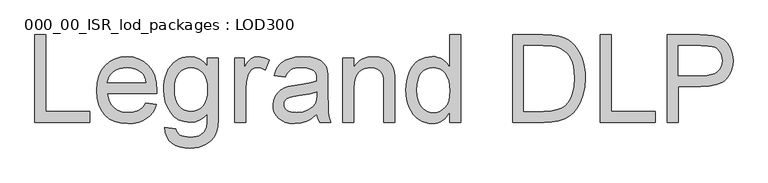
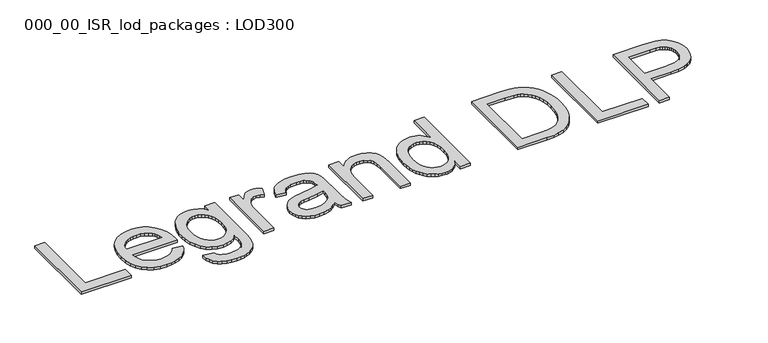
"""IFC4 building model written with IfcOpenShell, lengths in millimetres: proxy geometry, 000_00_ISR_lod_packages : LOD300."""

from ifc_helpers import new_model, si_unit, origin, origin_with_axes, place, context, project, spatial, polyline, outline, extrude, source, transform, mapped, element, save


def proxy_000_00_isr_lod_packages_lod300_ec88f956(model_context):
    return source(origin(), model_context, "Body", "SweptSolid", [
        extrude(outline(polyline([(385.6969697, 500.0), (385.6969697, 1283.5151515), (483.6363636, 1283.5151515), (483.6363636, 597.9393939), (875.3939394, 597.9393939), (875.3939394, 500.0), (385.6969697, 500.0)])), origin_with_axes(), (0.0, 0.0, 1.0), 25.0),
        extrude(outline(polyline([(1376.1856061, 671.3939394), (1472.2121212, 659.1515152), (1457.4889323, 620.690696), (1437.6129261, 586.796875), (1412.5841027, 557.4700521), (1382.4024621, 532.7102273), (1347.3788471, 513.0434422), (1307.8241004, 498.9957386), (1263.7382221, 490.5671165), (1215.1212121, 487.7575758), (1154.3514441, 492.6055279), (1100.2050189, 507.1493845), (1052.6819366, 531.3891454), (1011.782197, 565.3248106), (978.8926373, 608.0118963), (955.4000947, 658.5059186), (941.3045691, 716.8068774), (936.6060606, 782.9147727), (941.3523911, 851.2643229), (955.5913826, 911.5080492), (979.323035, 963.6459517), (1012.5473485, 1007.6780303), (1053.3394886, 1042.6598011), (1099.7746212, 1067.6467803), (1151.8527462, 1082.6389678), (1209.5738636, 1087.6363636), (1265.435902, 1082.6509233), (1315.9538352, 1067.6946023), (1361.1276634, 1042.7674006), (1400.9573864, 1007.8693182), (1433.470348, 963.9328835), (1456.693892, 911.890625), (1470.6280185, 851.7425426), (1475.2727273, 783.4886364), (1474.6988636, 757.0909091), (1034.5454545, 757.0909091), (1040.2183357, 718.0084044), (1051.4983428, 683.7798295), (1068.3854759, 654.4051847), (1090.8797348, 629.8844697), (1117.7377486, 610.5524384), (1147.7161458, 596.7438447), (1180.8149266, 588.4586884), (1217.0340909, 585.6969697), (1269.1600379, 590.8139205), (1313.0606061, 606.1647727), (1331.9263731, 617.9170218), (1348.7357955, 632.7059659), (1363.4888731, 650.5316051), (1376.1856061, 671.3939394)]), holes=[polyline([(1034.5454545, 855.030303), (1377.3333333, 855.030303), (1372.300071, 882.7431345), (1364.0866477, 906.7736742), (1352.6930634, 927.1219223), (1338.1193182, 943.7878788), (1311.4107481, 963.8731061), (1281.0198864, 978.219697), (1246.946733, 986.8276515), (1209.1912879, 989.6969697), (1174.753492, 987.4074929), (1143.1730587, 980.5390625), (1114.4499882, 969.0916785), (1088.5842803, 953.0653409), (1066.8790838, 933.2012902), (1050.6375473, 910.240767), (1039.8596709, 884.1837713), (1034.5454545, 855.030303)])]), origin_with_axes(), (0.0, 0.0, 1.0), 25.0),
        extrude(outline(polyline([(1548.7272727, 451.030303), (1646.6666667, 438.7878788), (1650.803267, 422.2892992), (1657.4744318, 408.1818182), (1666.680161, 396.4654356), (1678.4204545, 387.1401515), (1697.417732, 377.5996686), (1719.5951705, 370.7850379), (1773.4905303, 365.3333333), (1804.0726799, 366.8755919), (1830.9725379, 371.5023674), (1854.1901042, 379.21366), (1873.7253788, 390.0094697), (1889.9848485, 403.5909091), (1903.375, 419.6590909), (1913.8958333, 438.2140152), (1921.5473485, 459.2556818), (1926.8555871, 501.3868371), (1928.2424242, 573.4545455), (1895.6517519, 541.3181818), (1859.2831439, 518.3636364), (1819.1366004, 504.5909091), (1775.2121212, 500.0), (1721.514027, 505.3441051), (1674.2360322, 521.3764205), (1633.3781368, 548.096946), (1598.9403409, 585.5056818), (1571.616063, 630.3866004), (1552.0987216, 679.5236742), (1540.3883168, 732.9169034), (1536.4848485, 790.5662879), (1538.2363281, 830.8981416), (1543.490767, 869.6399148), (1552.2481652, 906.7916075), (1564.5085227, 942.3532197), (1580.0865294, 975.1411577), (1598.796875, 1003.9718277), (1620.6395597, 1028.8452296), (1645.6145833, 1049.7613636), (1673.321437, 1066.3316761), (1703.3596117, 1078.1676136), (1735.7291075, 1085.2691761), (1770.4299242, 1087.6363636), (1816.2314157, 1082.280303), (1857.8006629, 1066.2121212), (1895.1376657, 1039.4318182), (1928.2424242, 1001.9393939), (1928.2424242, 1075.3939394), (2026.1818182, 1075.3939394), (2026.1818182, 578.6193182), (2024.5080492, 516.3730469), (2019.4867424, 463.9183239), (2011.1178977, 421.2551491), (1999.4015152, 388.3835227), (1984.0566406, 361.8722183), (1964.8023201, 338.2900095), (1941.6385535, 317.6368963), (1914.5653409, 299.9128788), (1883.8576586, 285.6858428), (1849.790483, 275.5236742), (1812.3638139, 269.4263731), (1771.5776515, 267.3939394), (1723.5942827, 270.2572798), (1680.4528883, 278.8473011), (1642.1534683, 293.1640033), (1608.6960227, 313.2073864), (1581.6706321, 339.0013613), (1562.6673769, 370.569839), (1551.6862571, 407.9128196), (1548.7272727, 451.030303)]), holes=[polyline([(1634.4242424, 797.2613636), (1637.0365175, 748.8356416), (1644.8733428, 707.4277936), (1657.9347183, 673.0378196), (1676.2206439, 645.6657197), (1698.4518821, 624.7854522), (1723.3491951, 609.8709754), (1750.9125829, 600.9222893), (1781.1420455, 597.9393939), (1811.0726207, 600.9043561), (1838.5044981, 609.7992424), (1863.4376776, 624.624053), (1885.8721591, 645.3787879), (1904.4091501, 672.4818892), (1917.649858, 706.3517992), (1925.5942827, 746.988518), (1928.2424242, 794.3920455), (1925.516572, 839.8169389), (1917.3390152, 879.2999527), (1903.7097538, 912.8410866), (1884.6287879, 940.4403409), (1861.7101089, 961.990116), (1836.5677083, 977.3828125), (1809.2015862, 986.6184304), (1779.6117424, 989.6969697), (1750.5180516, 986.6662524), (1723.6839489, 977.5741004), (1699.1094342, 962.4205137), (1676.7945076, 941.2054924), (1658.2575166, 914.0246804), (1645.0168087, 880.9737216), (1637.072384, 842.052616), (1634.4242424, 797.2613636)])]), origin_with_axes(), (0.0, 0.0, 1.0), 25.0),
        extrude(outline(polyline([(2173.0909091, 500.0), (2173.0909091, 1075.3939394), (2258.7878788, 1075.3939394), (2258.7878788, 990.2708333), (2290.4460227, 1039.6231061), (2319.6174242, 1068.6988636), (2348.8844697, 1082.9019886), (2380.8295455, 1087.6363636), (2405.1231061, 1085.7473958), (2429.6079545, 1080.0804924), (2454.2840909, 1070.6356534), (2479.1515152, 1057.4128788), (2446.4412879, 969.6117424), (2412.0094697, 984.6756629), (2377.5776515, 989.6969697), (2348.334517, 984.8669508), (2322.1998106, 970.3768939), (2301.086411, 947.3267045), (2286.907197, 916.8162879), (2274.9995265, 862.1079545), (2271.030303, 802.4261364), (2271.030303, 500.0), (2173.0909091, 500.0)])), origin_with_axes(), (0.0, 0.0, 1.0), 25.0),
        extrude(outline(polyline([(2907.6363636, 573.4545455), (2860.8425663, 533.3319129), (2836.9256037, 518.4712358), (2812.6619318, 507.0776515), (2761.9945549, 492.5875947), (2707.7405303, 487.7575758), (2664.1328717, 490.6627604), (2625.8932292, 499.3783144), (2593.0216027, 513.9042377), (2565.5179924, 534.2405303), (2543.8008404, 559.0959991), (2528.288589, 587.1794508), (2518.9812382, 618.4908854), (2515.8787879, 653.030303), (2520.5653409, 693.6311553), (2534.625, 730.5018939), (2556.3122633, 762.0643939), (2583.8816288, 786.7405303), (2616.2810133, 805.3910985), (2652.4583333, 818.8768939), (2737.1988636, 833.6060606), (2837.3380682, 849.1003788), (2907.0625, 867.2727273), (2907.6363636, 889.0795455), (2905.9506392, 912.8231534), (2900.8934659, 932.7888258), (2892.4648438, 948.9765625), (2880.6647727, 961.3863636), (2860.2687027, 973.7722538), (2835.4251894, 982.6193182), (2806.134233, 987.9275568), (2772.3958333, 989.6969697), (2714.0530303, 984.9865057), (2691.4810606, 979.0984257), (2673.3087121, 970.8551136), (2658.3763021, 959.610973), (2645.5241477, 944.7204072), (2634.7522491, 926.1834162), (2626.0606061, 904.0), (2528.1212121, 916.2424242), (2545.1219223, 969.8030303), (2556.7605942, 992.2793561), (2570.4914773, 1011.8863636), (2586.9063684, 1029.0185843), (2606.5970644, 1044.0705492), (2629.5635653, 1057.0422585), (2655.8058712, 1067.9337121), (2715.9898201, 1082.7107008), (2785.0208333, 1087.6363636), (2851.2303504, 1083.2845644), (2903.7149621, 1070.2291667), (2943.287642, 1050.5982481), (2970.7613636, 1026.5198864), (2988.9815341, 996.7507102), (3000.7935606, 960.0473485), (3004.3802083, 926.1893939), (3005.5757576, 874.3503788), (3005.5757576, 752.5), (3006.8191288, 646.3591383), (3010.5492424, 582.3494318), (3017.9138258, 540.2900095), (3030.0606061, 500.0), (2932.1212121, 500.0), (2916.4356061, 534.0492424), (2907.6363636, 573.4545455)]), holes=[polyline([(2907.6363636, 769.3333333), (2841.8333333, 753.0260417), (2749.6325758, 739.3011364), (2698.821733, 731.7930871), (2665.3702652, 723.4242424), (2643.443892, 712.5686553), (2627.2083333, 697.6003788), (2617.1657197, 679.6671402), (2613.8181818, 659.9166667), (2615.6413944, 644.6973248), (2621.1110322, 630.7930871), (2630.2270952, 618.2039536), (2642.9895833, 606.9299242), (2659.2789418, 597.6405066), (2678.9756155, 591.0052083), (2728.5909091, 585.6969697), (2781.1950758, 591.555161), (2805.2017045, 598.8779001), (2827.6780303, 609.1297348), (2865.3617424, 635.0253314), (2891.5681818, 665.8465909), (2903.1889205, 697.6003788), (2907.0625, 741.5965909), (2907.6363636, 769.3333333)])]), origin_with_axes(), (0.0, 0.0, 1.0), 25.0),
        extrude(outline(polyline([(3140.2424242, 500.0), (3140.2424242, 1075.3939394), (3238.1818182, 1075.3939394), (3238.1818182, 995.0530303), (3272.2071496, 1035.5582386), (3291.7842685, 1051.4709991), (3313.0710227, 1064.4905303), (3336.0674124, 1074.6168324), (3360.7734375, 1081.8499053), (3415.3143939, 1087.6363636), (3463.5906723, 1082.9737216), (3507.8020833, 1068.9857955), (3544.672822, 1047.4180871), (3570.9270833, 1020.0160985), (3588.740767, 986.8515625), (3600.2897727, 947.9962121), (3604.1633523, 910.8385417), (3605.4545455, 853.3087121), (3605.4545455, 500.0), (3507.5151515, 500.0), (3507.5151515, 840.1098485), (3504.6936553, 890.7533144), (3496.2291667, 926.7632576), (3480.6152936, 952.5632102), (3456.3456439, 972.5767045), (3425.2374527, 985.4169034), (3389.1079545, 989.6969697), (3359.3686671, 987.2939157), (3331.7455019, 980.0847538), (3306.2384588, 968.0694839), (3282.8475379, 951.2481061), (3263.3062855, 927.7077415), (3249.3482481, 895.5355114), (3240.9734257, 854.7314157), (3238.1818182, 805.2954545), (3238.1818182, 500.0), (3140.2424242, 500.0)])), origin_with_axes(), (0.0, 0.0, 1.0), 25.0),
        extrude(outline(polyline([(4095.1515152, 500.0), (4095.1515152, 592.3920455), (4065.8486032, 546.614465), (4048.8747929, 528.6304155), (4030.3527462, 513.9161932), (4010.2824633, 502.4717981), (3988.6639441, 494.2972301), (3965.4971887, 489.3924893), (3940.782197, 487.7575758), (3908.4545455, 490.1247633), (3877.4659091, 497.2263258), (3847.8162879, 509.0622633), (3819.5056818, 525.6325758), (3793.4187973, 546.4411103), (3770.4403409, 570.991714), (3750.5703125, 599.2843868), (3733.8087121, 631.3191288), (3720.5022491, 666.4862098), (3710.9976326, 704.1758996), (3705.2948627, 744.3881984), (3703.3939394, 787.1231061), (3705.145419, 829.074929), (3710.399858, 869.0421402), (3719.1572562, 907.0247396), (3731.4176136, 943.0227273), (3747.1749527, 975.9840199), (3766.4232955, 1004.8565341), (3789.162642, 1029.6402699), (3815.3929924, 1050.3352273), (3844.1877959, 1066.6544744), (3874.6205019, 1078.3110795), (3906.6911103, 1085.3050426), (3940.3996212, 1087.6363636), (3965.0518466, 1085.9685724), (3988.3172348, 1080.9651989), (4010.195786, 1072.6262429), (4030.6875, 1060.9517045), (4066.6017992, 1030.273911), (4095.1515152, 991.6098485), (4095.1515152, 1283.5151515), (4193.0909091, 1283.5151515), (4193.0909091, 500.0), (4095.1515152, 500.0)]), holes=[polyline([(3801.3333333, 787.5056818), (3804.0950521, 740.0124882), (3812.3802083, 698.915483), (3826.1888021, 664.2146662), (3845.5208333, 635.9100379), (3868.6068892, 613.9418205), (3893.6775568, 598.2502367), (3920.7328362, 588.8352865), (3949.7727273, 585.6969697), (3978.9501065, 588.6918205), (4005.8439867, 597.6763731), (4030.4543679, 612.6506274), (4052.78125, 633.6145833), (4071.318241, 660.7356179), (4084.5589489, 694.181108), (4092.5033736, 733.9510535), (4095.1515152, 780.0454545), (4092.4555516, 830.581321), (4084.367661, 873.9199811), (4070.8878433, 910.0614347), (4052.0160985, 939.0056818), (4029.1990412, 961.1831203), (4003.883286, 977.0241477), (3976.0688329, 986.5287642), (3945.7556818, 989.6969697), (3916.1419271, 986.6542969), (3889.0866477, 977.5262784), (3864.5898438, 962.3129143), (3842.6515152, 941.0142045), (3824.5748106, 913.1638849), (3811.6628788, 878.2956913), (3803.9157197, 836.4096236), (3801.3333333, 787.5056818)])]), origin_with_axes(), (0.0, 0.0, 1.0), 25.0),
        extrude(outline(polyline([(4658.3030303, 500.0), (4658.3030303, 1283.5151515), (4928.592803, 1283.5151515), (5009.3641098, 1280.6936553), (5068.4242424, 1272.2291667), (5100.8714489, 1262.9158381), (5130.8797348, 1250.4701705), (5158.4491004, 1234.8921638), (5183.5795455, 1216.1818182), (5212.6194366, 1188.1581439), (5237.7618371, 1156.5), (5259.0067472, 1121.2073864), (5276.3541667, 1082.280303), (5289.8280066, 1040.0774148), (5299.452178, 994.9573864), (5305.2266809, 946.9202178), (5307.1515152, 895.9659091), (5301.9389205, 811.8709754), (5286.3011364, 737.8664773), (5262.4857955, 674.8610322), (5232.7405303, 623.7632576), (5198.5, 583.4254261), (5161.1988636, 552.6998106), (5118.3742898, 529.912642), (5067.563447, 513.3901515), (5008.6706913, 503.3475379), (4941.6003788, 500.0), (4658.3030303, 500.0)]), holes=[polyline([(4756.2424242, 597.9393939), (4929.5492424, 597.9393939), (5001.234375, 601.4782197), (5055.6079545, 612.094697), (5096.6392045, 629.1671402), (5128.2973485, 652.0738636), (5146.3680753, 671.7107599), (5162.3226799, 694.4680398), (5176.1611624, 720.3457031), (5187.8835227, 749.34375), (5197.2147846, 781.5219579), (5203.8799716, 816.9401042), (5209.2121212, 897.4962121), (5206.5998461, 954.3565341), (5198.7630208, 1004.2348485), (5185.7016454, 1047.1311553), (5167.4157197, 1083.0454545), (5145.3877249, 1112.7907197), (5121.100142, 1137.1799242), (5094.5529711, 1156.2130682), (5065.7462121, 1169.8901515), (5040.8548769, 1176.7526042), (5009.4119318, 1181.6543561), (4926.8712121, 1185.5757576), (4756.2424242, 1185.5757576), (4756.2424242, 597.9393939)])]), origin_with_axes(), (0.0, 0.0, 1.0), 25.0),
        extrude(outline(polyline([(5441.8181818, 500.0), (5441.8181818, 1283.5151515), (5539.7575758, 1283.5151515), (5539.7575758, 597.9393939), (5931.5151515, 597.9393939), (5931.5151515, 500.0), (5441.8181818, 500.0)])), origin_with_axes(), (0.0, 0.0, 1.0), 25.0),
        extrude(outline(polyline([(6041.6969697, 500.0), (6041.6969697, 1283.5151515), (6332.0719697, 1283.5151515), (6399.6922348, 1281.6500947), (6449.1401515, 1276.0549242), (6501.3378314, 1262.1148201), (6544.3058712, 1239.4232955), (6562.5439749, 1224.5387074), (6578.9050663, 1206.952178), (6605.9962121, 1163.6732955), (6623.499053, 1112.6233428), (6629.3333333, 1056.8390152), (6625.3939986, 1008.7420691), (6613.5759943, 964.4947917), (6593.8793205, 924.0971828), (6566.3039773, 887.5492424), (6548.9610411, 871.3196615), (6528.4469105, 857.2540246), (6504.7615856, 845.3523319), (6477.9050663, 835.6145833), (6414.6784446, 822.6309186), (6338.7670455, 818.3030303), (6139.6363636, 818.3030303), (6139.6363636, 500.0), (6041.6969697, 500.0)]), holes=[polyline([(6139.6363636, 916.2424242), (6344.5056818, 916.2424242), (6391.610322, 918.4900568), (6431.3503788, 925.2329545), (6463.7258523, 936.4711174), (6488.7367424, 952.2045455), (6507.3992661, 972.0147964), (6520.7296402, 995.483428), (6528.7278646, 1022.6104403), (6531.3939394, 1053.3958333), (6529.8217921, 1076.2547348), (6525.1053504, 1097.3920455), (6517.2446141, 1116.8077652), (6506.2395833, 1134.5018939), (6492.6760772, 1149.9005682), (6477.1399148, 1162.4299242), (6459.6310961, 1172.0899621), (6440.1496212, 1178.8806818), (6402.3702652, 1183.9019886), (6342.2102273, 1185.5757576), (6139.6363636, 1185.5757576), (6139.6363636, 916.2424242)])]), origin_with_axes(), (0.0, 0.0, 1.0), 25.0),
    ])


if __name__ == "__main__":
    model = new_model("IFC4")
    model_context = context("Model", 3, world=origin())
    ifc_project = project(units=[si_unit("LENGTHUNIT", "METRE", prefix="MILLI")], contexts=[model_context])
    site = spatial("IfcSite", under=ifc_project)
    building = spatial("IfcBuilding", under=site)
    placement = place(None, origin())
    proxy_000_00_isr_lod_packages_lod300_shape = proxy_000_00_isr_lod_packages_lod300_ec88f956(model_context)
    element("IfcBuildingElementProxy", 1, Name="000_00_ISR_lod_packages : LOD300", ObjectType="000_00_ISR_lod_packages : LOD300", at=placement, inside=building, context=model_context, shape_type="MappedRepresentation", body=[
        mapped(proxy_000_00_isr_lod_packages_lod300_shape, transform((0.0, 0.0, 0.0), x_axis=(1.0, 0.0, 0.0), y_axis=(0.0, 1.0, 0.0), z_axis=(0.0, 0.0, 1.0))),
    ])
    save(model, "model.ifc")
